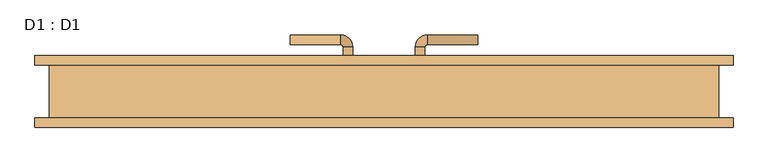
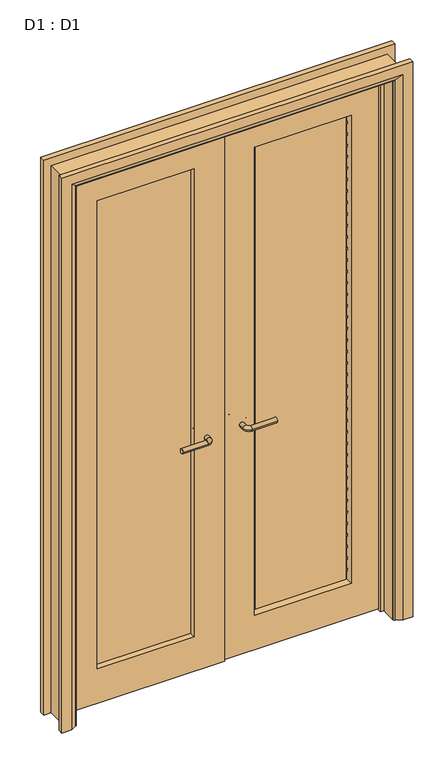
"""IFC4 building model written with IfcOpenShell, lengths in millimetres: door geometry, D1 : D1."""

from ifc_helpers import new_model, si_unit, point, frame, frame_2d, origin, place, context, project, spatial, polyline, circle_curve, ellipse_curve, trimmed, segment, composite_curve, outline, extrude, faceted_brep, source, transform, mapped, element, save
from ifc_brep_helpers import plane_surface, cylinder_surface, revolved_surface, advanced_brep


def d1_d1_8057f397(model_context):
    return source(origin(), model_context, "Body", "SolidModel", [
        advanced_brep(
        [(-65.0, 30.0, 1007.0), (-85.0, 30.0, 1007.0), (-65.0, 0.0, 1007.0), (-85.0, 0.0, 1007.0), (-90.0, -5.0, 1007.0), (-90.0, -25.0, 1007.0), (-195.0, -25.0, 1007.0), (-195.0, -5.0, 1007.0)],
        [
            (0, 1, circle_curve(frame((-75.0, 30.0, 1007.0), z_axis=(0.0, 1.0, 0.0), x_axis=(-1.0, 0.0, 0.0)), 10.0)),
            (1, 0, circle_curve(frame((-75.0, 30.0, 1007.0), z_axis=(0.0, 1.0, 0.0), x_axis=(-1.0, 0.0, 0.0)), 10.0)),
            (0, 2),
            (2, 3, circle_curve(frame((-75.0, 0.0, 1007.0), z_axis=(0.0, 1.0, 0.0), x_axis=(-1.0, 0.0, 0.0)), 10.0)),
            (3, 1),
            (3, 2, circle_curve(frame((-75.0, 0.0, 1007.0), z_axis=(0.0, 1.0, 0.0), x_axis=(-1.0, 0.0, 0.0)), 10.0)),
            (4, 3, circle_curve(frame((-90.0, 0.0, 1007.0), z_axis=(0.0, 0.0, 1.0), x_axis=(1.0, 0.0, 0.0)), 5.0)),
            (2, 5, circle_curve(frame((-90.0, 0.0, 1007.0), z_axis=(0.0, 0.0, -1.0), x_axis=(1.0, 0.0, 0.0)), 25.0)),
            (5, 4, circle_curve(frame((-90.0, -15.0, 1007.0), z_axis=(1.0, 0.0, 0.0), x_axis=(0.0, 1.0, 0.0)), 10.0)),
            (4, 5, circle_curve(frame((-90.0, -15.0, 1007.0), z_axis=(1.0, 0.0, 0.0), x_axis=(0.0, 1.0, 0.0)), 10.0)),
            (6, 7, circle_curve(frame((-195.0, -15.0, 1007.0), z_axis=(-1.0, 0.0, 0.0), x_axis=(0.0, 1.0, 0.0)), 10.0)),
            (7, 6, circle_curve(frame((-195.0, -15.0, 1007.0), z_axis=(-1.0, 0.0, 0.0), x_axis=(0.0, 1.0, 0.0)), 10.0)),
            (5, 6),
            (7, 4),
        ],
        [
            plane_surface(frame((-75.0, 30.0, 1007.0), z_axis=(0.0, 1.0, 0.0), x_axis=(0.0, 0.0, 1.0))),
            cylinder_surface(frame((-75.0, 30.0, 1007.0), z_axis=(0.0, 1.0, 0.0), x_axis=(-1.0, 0.0, 0.0)), 10.0),
            revolved_surface(trimmed(ellipse_curve(frame((-75.0, 0.0, 1007.0), z_axis=(0.0, 1.0, 0.0), x_axis=(-1.0, 0.0, 0.0)), 10.0, 10.0), [point((-65.0, 0.0, 1007.0))], [point((-85.0, 0.0, 1007.0))], True, "CARTESIAN"), (-90.0, 0.0, 1007.0), (0.0, 0.0, -1.0)),
            revolved_surface(trimmed(ellipse_curve(frame((-75.0, 0.0, 1007.0), z_axis=(0.0, 1.0, 0.0), x_axis=(-1.0, 0.0, 0.0)), 10.0, 10.0), [point((-85.0, 0.0, 1007.0))], [point((-65.0, 0.0, 1007.0))], True, "CARTESIAN"), (-90.0, 0.0, 1007.0), (0.0, 0.0, -1.0)),
            plane_surface(frame((-195.0, -15.0, 1007.0), z_axis=(-1.0, 0.0, 0.0), x_axis=(0.0, 0.0, 1.0))),
            cylinder_surface(frame((-90.0, -15.0, 1007.0), z_axis=(1.0, 0.0, 0.0), x_axis=(0.0, 1.0, 0.0)), 10.0),
        ],
        [
            (0, [[1, 2]]),
            (1, [[-1, 3, 4, 5]]),
            (1, [[-2, -5, 6, -3]]),
            (2, [[7, -4, 8, 9]]),
            (3, [[-8, -6, -7, 10]]),
            (4, [[11, 12]]),
            (5, [[-9, 13, -12, 14]]),
            (5, [[-10, -14, -11, -13]]),
        ],
    ),
        extrude(outline(composite_curve([segment(trimmed(circle_curve(frame_2d((1007.0, -72.5)), 30.0), [point((1007.0, -42.5))], [point((1007.0, -102.5))], False, "CARTESIAN"), True, "CONTINUOUS"), segment(trimmed(circle_curve(frame_2d((1007.0, -72.5)), 30.0), [point((1007.0, -102.5))], [point((1007.0, -42.5))], False, "CARTESIAN"), True, "CONTINUOUS")], self_intersect=False)), frame((0.0, 30.0, 0.0), z_axis=(0.0, 1.0, 0.0), x_axis=(0.0, 0.0, 1.0)), (0.0, 0.0, 1.0), 8.0),
        advanced_brep(
        [(-65.0, 63.0, 1007.0), (-85.0, 63.0, 1007.0), (-85.0, 93.0, 1007.0), (-65.0, 93.0, 1007.0), (-90.0, 98.0, 1007.0), (-90.0, 118.0, 1007.0), (-195.0, 118.0, 1007.0), (-195.0, 98.0, 1007.0)],
        [
            (0, 1, circle_curve(frame((-75.0, 63.0, 1007.0), z_axis=(0.0, -1.0, 0.0), x_axis=(-1.0, 0.0, 0.0)), 10.0)),
            (1, 0, circle_curve(frame((-75.0, 63.0, 1007.0), z_axis=(0.0, -1.0, 0.0), x_axis=(-1.0, 0.0, 0.0)), 10.0)),
            (1, 2),
            (2, 3, circle_curve(frame((-75.0, 93.0, 1007.0), z_axis=(0.0, -1.0, 0.0), x_axis=(-1.0, 0.0, 0.0)), 10.0)),
            (3, 0),
            (3, 2, circle_curve(frame((-75.0, 93.0, 1007.0), z_axis=(0.0, -1.0, 0.0), x_axis=(-1.0, 0.0, 0.0)), 10.0)),
            (4, 5, circle_curve(frame((-90.0, 108.0, 1007.0), z_axis=(1.0, 0.0, 0.0), x_axis=(0.0, -1.0, 0.0)), 10.0)),
            (5, 3, circle_curve(frame((-90.0, 93.0, 1007.0), z_axis=(0.0, 0.0, -1.0), x_axis=(1.0, 0.0, 0.0)), 25.0)),
            (2, 4, circle_curve(frame((-90.0, 93.0, 1007.0), z_axis=(0.0, 0.0, 1.0), x_axis=(1.0, 0.0, 0.0)), 5.0)),
            (5, 4, circle_curve(frame((-90.0, 108.0, 1007.0), z_axis=(1.0, 0.0, 0.0), x_axis=(0.0, -1.0, 0.0)), 10.0)),
            (6, 7, circle_curve(frame((-195.0, 108.0, 1007.0), z_axis=(-1.0, 0.0, 0.0), x_axis=(0.0, -1.0, 0.0)), 10.0)),
            (7, 6, circle_curve(frame((-195.0, 108.0, 1007.0), z_axis=(-1.0, 0.0, 0.0), x_axis=(0.0, -1.0, 0.0)), 10.0)),
            (4, 7),
            (6, 5),
        ],
        [
            plane_surface(frame((-75.0, 63.0, 1007.0), z_axis=(0.0, -1.0, 0.0), x_axis=(0.0, 0.0, 1.0))),
            cylinder_surface(frame((-75.0, 63.0, 1007.0), z_axis=(0.0, -1.0, 0.0), x_axis=(-1.0, 0.0, 0.0)), 10.0),
            revolved_surface(trimmed(ellipse_curve(frame((-75.0, 93.0, 1007.0), z_axis=(0.0, 1.0, 0.0), x_axis=(-1.0, 0.0, 0.0)), 10.0, 10.0), [point((-65.0, 93.0, 1007.0))], [point((-85.0, 93.0, 1007.0))], True, "CARTESIAN"), (-90.0, 93.0, 1007.0), (0.0, 0.0, -1.0)),
            revolved_surface(trimmed(ellipse_curve(frame((-75.0, 93.0, 1007.0), z_axis=(0.0, 1.0, 0.0), x_axis=(-1.0, 0.0, 0.0)), 10.0, 10.0), [point((-85.0, 93.0, 1007.0))], [point((-65.0, 93.0, 1007.0))], True, "CARTESIAN"), (-90.0, 93.0, 1007.0), (0.0, 0.0, -1.0)),
            plane_surface(frame((-195.0, 108.0, 1007.0), z_axis=(-1.0, 0.0, 0.0), x_axis=(0.0, 0.0, 1.0))),
            cylinder_surface(frame((-90.0, 108.0, 1007.0), z_axis=(1.0, 0.0, 0.0), x_axis=(0.0, -1.0, 0.0)), 10.0),
        ],
        [
            (0, [[1, 2]]),
            (1, [[3, 4, 5, -2]]),
            (1, [[-5, 6, -3, -1]]),
            (2, [[7, 8, -4, 9]]),
            (3, [[10, -9, -6, -8]]),
            (4, [[11, 12]]),
            (5, [[13, -11, 14, -7]]),
            (5, [[-14, -12, -13, -10]]),
        ],
    ),
        extrude(outline(composite_curve([segment(trimmed(circle_curve(frame_2d((1007.0, -72.5)), 30.0), [point((1007.0, -42.5))], [point((1007.0, -102.5))], False, "CARTESIAN"), True, "CONTINUOUS"), segment(trimmed(circle_curve(frame_2d((1007.0, -72.5)), 30.0), [point((1007.0, -102.5))], [point((1007.0, -42.5))], False, "CARTESIAN"), True, "CONTINUOUS")], self_intersect=False)), frame((0.0, 55.0, 0.0), z_axis=(0.0, 1.0, 0.0), x_axis=(0.0, 0.0, 1.0)), (0.0, 0.0, 1.0), 8.0),
        advanced_brep(
        [(65.0, 30.0, 1007.0), (85.0, 30.0, 1007.0), (85.0, 0.0, 1007.0), (65.0, 0.0, 1007.0), (90.0, -5.0, 1007.0), (90.0, -25.0, 1007.0), (195.0, -25.0, 1007.0), (195.0, -5.0, 1007.0)],
        [
            (0, 1, circle_curve(frame((75.0, 30.0, 1007.0), z_axis=(0.0, 1.0, 0.0), x_axis=(1.0, 0.0, 0.0)), 10.0)),
            (1, 0, circle_curve(frame((75.0, 30.0, 1007.0), z_axis=(0.0, 1.0, 0.0), x_axis=(1.0, 0.0, 0.0)), 10.0)),
            (1, 2),
            (2, 3, circle_curve(frame((75.0, 0.0, 1007.0), z_axis=(0.0, 1.0, 0.0), x_axis=(1.0, 0.0, 0.0)), 10.0)),
            (3, 0),
            (3, 2, circle_curve(frame((75.0, 0.0, 1007.0), z_axis=(0.0, 1.0, 0.0), x_axis=(1.0, 0.0, 0.0)), 10.0)),
            (4, 5, circle_curve(frame((90.0, -15.0, 1007.0), z_axis=(-1.0, 0.0, 0.0), x_axis=(0.0, 1.0, 0.0)), 10.0)),
            (5, 3, circle_curve(frame((90.0, 0.0, 1007.0), z_axis=(0.0, 0.0, -1.0), x_axis=(-1.0, 0.0, 0.0)), 25.0)),
            (2, 4, circle_curve(frame((90.0, 0.0, 1007.0), z_axis=(0.0, 0.0, 1.0), x_axis=(-1.0, 0.0, 0.0)), 5.0)),
            (5, 4, circle_curve(frame((90.0, -15.0, 1007.0), z_axis=(-1.0, 0.0, 0.0), x_axis=(0.0, 1.0, 0.0)), 10.0)),
            (6, 7, circle_curve(frame((195.0, -15.0, 1007.0), z_axis=(1.0, 0.0, 0.0), x_axis=(0.0, 1.0, 0.0)), 10.0)),
            (7, 6, circle_curve(frame((195.0, -15.0, 1007.0), z_axis=(1.0, 0.0, 0.0), x_axis=(0.0, 1.0, 0.0)), 10.0)),
            (4, 7),
            (6, 5),
        ],
        [
            plane_surface(frame((75.0, 30.0, 1007.0), z_axis=(0.0, 1.0, 0.0), x_axis=(0.0, 0.0, 1.0))),
            cylinder_surface(frame((75.0, 30.0, 1007.0), z_axis=(0.0, 1.0, 0.0), x_axis=(1.0, 0.0, 0.0)), 10.0),
            revolved_surface(trimmed(ellipse_curve(frame((75.0, 0.0, 1007.0), z_axis=(0.0, -1.0, 0.0), x_axis=(1.0, 0.0, 0.0)), 10.0, 10.0), [point((65.0, 0.0, 1007.0))], [point((85.0, 0.0, 1007.0))], True, "CARTESIAN"), (90.0, 0.0, 1007.0), (0.0, 0.0, -1.0)),
            revolved_surface(trimmed(ellipse_curve(frame((75.0, 0.0, 1007.0), z_axis=(0.0, -1.0, 0.0), x_axis=(1.0, 0.0, 0.0)), 10.0, 10.0), [point((85.0, 0.0, 1007.0))], [point((65.0, 0.0, 1007.0))], True, "CARTESIAN"), (90.0, 0.0, 1007.0), (0.0, 0.0, -1.0)),
            plane_surface(frame((195.0, -15.0, 1007.0), z_axis=(1.0, 0.0, 0.0), x_axis=(0.0, 0.0, 1.0))),
            cylinder_surface(frame((90.0, -15.0, 1007.0), z_axis=(-1.0, 0.0, 0.0), x_axis=(0.0, 1.0, 0.0)), 10.0),
        ],
        [
            (0, [[1, 2]]),
            (1, [[3, 4, 5, -2]]),
            (1, [[-5, 6, -3, -1]]),
            (2, [[7, 8, -4, 9]]),
            (3, [[10, -9, -6, -8]]),
            (4, [[11, 12]]),
            (5, [[13, -11, 14, -7]]),
            (5, [[-14, -12, -13, -10]]),
        ],
    ),
        extrude(outline(composite_curve([segment(trimmed(circle_curve(frame_2d((1007.0, 72.5)), 30.0), [point((1007.0, 42.5))], [point((1007.0, 102.5))], False, "CARTESIAN"), True, "CONTINUOUS"), segment(trimmed(circle_curve(frame_2d((1007.0, 72.5)), 30.0), [point((1007.0, 102.5))], [point((1007.0, 42.5))], False, "CARTESIAN"), True, "CONTINUOUS")], self_intersect=False)), frame((0.0, 30.0, 0.0), z_axis=(0.0, 1.0, 0.0), x_axis=(0.0, 0.0, 1.0)), (0.0, 0.0, 1.0), 8.0),
        advanced_brep(
        [(65.0, 63.0, 1007.0), (85.0, 63.0, 1007.0), (65.0, 93.0, 1007.0), (85.0, 93.0, 1007.0), (90.0, 98.0, 1007.0), (90.0, 118.0, 1007.0), (195.0, 118.0, 1007.0), (195.0, 98.0, 1007.0)],
        [
            (0, 1, circle_curve(frame((75.0, 63.0, 1007.0), z_axis=(0.0, -1.0, 0.0), x_axis=(1.0, 0.0, 0.0)), 10.0)),
            (1, 0, circle_curve(frame((75.0, 63.0, 1007.0), z_axis=(0.0, -1.0, 0.0), x_axis=(1.0, 0.0, 0.0)), 10.0)),
            (0, 2),
            (2, 3, circle_curve(frame((75.0, 93.0, 1007.0), z_axis=(0.0, -1.0, 0.0), x_axis=(1.0, 0.0, 0.0)), 10.0)),
            (3, 1),
            (3, 2, circle_curve(frame((75.0, 93.0, 1007.0), z_axis=(0.0, -1.0, 0.0), x_axis=(1.0, 0.0, 0.0)), 10.0)),
            (4, 3, circle_curve(frame((90.0, 93.0, 1007.0), z_axis=(0.0, 0.0, 1.0), x_axis=(-1.0, 0.0, 0.0)), 5.0)),
            (2, 5, circle_curve(frame((90.0, 93.0, 1007.0), z_axis=(0.0, 0.0, -1.0), x_axis=(-1.0, 0.0, 0.0)), 25.0)),
            (5, 4, circle_curve(frame((90.0, 108.0, 1007.0), z_axis=(-1.0, 0.0, 0.0), x_axis=(0.0, -1.0, 0.0)), 10.0)),
            (4, 5, circle_curve(frame((90.0, 108.0, 1007.0), z_axis=(-1.0, 0.0, 0.0), x_axis=(0.0, -1.0, 0.0)), 10.0)),
            (6, 7, circle_curve(frame((195.0, 108.0, 1007.0), z_axis=(1.0, 0.0, 0.0), x_axis=(0.0, -1.0, 0.0)), 10.0)),
            (7, 6, circle_curve(frame((195.0, 108.0, 1007.0), z_axis=(1.0, 0.0, 0.0), x_axis=(0.0, -1.0, 0.0)), 10.0)),
            (5, 6),
            (7, 4),
        ],
        [
            plane_surface(frame((75.0, 63.0, 1007.0), z_axis=(0.0, -1.0, 0.0), x_axis=(0.0, 0.0, 1.0))),
            cylinder_surface(frame((75.0, 63.0, 1007.0), z_axis=(0.0, -1.0, 0.0), x_axis=(1.0, 0.0, 0.0)), 10.0),
            revolved_surface(trimmed(ellipse_curve(frame((75.0, 93.0, 1007.0), z_axis=(0.0, -1.0, 0.0), x_axis=(1.0, 0.0, 0.0)), 10.0, 10.0), [point((65.0, 93.0, 1007.0))], [point((85.0, 93.0, 1007.0))], True, "CARTESIAN"), (90.0, 93.0, 1007.0), (0.0, 0.0, -1.0)),
            revolved_surface(trimmed(ellipse_curve(frame((75.0, 93.0, 1007.0), z_axis=(0.0, -1.0, 0.0), x_axis=(1.0, 0.0, 0.0)), 10.0, 10.0), [point((85.0, 93.0, 1007.0))], [point((65.0, 93.0, 1007.0))], True, "CARTESIAN"), (90.0, 93.0, 1007.0), (0.0, 0.0, -1.0)),
            plane_surface(frame((195.0, 108.0, 1007.0), z_axis=(1.0, 0.0, 0.0), x_axis=(0.0, 0.0, 1.0))),
            cylinder_surface(frame((90.0, 108.0, 1007.0), z_axis=(-1.0, 0.0, 0.0), x_axis=(0.0, -1.0, 0.0)), 10.0),
        ],
        [
            (0, [[1, 2]]),
            (1, [[-1, 3, 4, 5]]),
            (1, [[-2, -5, 6, -3]]),
            (2, [[7, -4, 8, 9]]),
            (3, [[-8, -6, -7, 10]]),
            (4, [[11, 12]]),
            (5, [[-9, 13, -12, 14]]),
            (5, [[-10, -14, -11, -13]]),
        ],
    ),
        extrude(outline(composite_curve([segment(trimmed(circle_curve(frame_2d((1007.0, 72.5)), 30.0), [point((1007.0, 42.5))], [point((1007.0, 102.5))], False, "CARTESIAN"), True, "CONTINUOUS"), segment(trimmed(circle_curve(frame_2d((1007.0, 72.5)), 30.0), [point((1007.0, 102.5))], [point((1007.0, 42.5))], False, "CARTESIAN"), True, "CONTINUOUS")], self_intersect=False)), frame((0.0, 55.0, 0.0), z_axis=(0.0, 1.0, 0.0), x_axis=(0.0, 0.0, 1.0)), (0.0, 0.0, 1.0), 8.0),
        extrude(outline(polyline([(2385.0, -694.5), (0.0, -694.5), (0.0, -654.5), (2350.0, -654.5), (2350.0, 654.5), (0.0, 654.5), (0.0, 694.5), (2385.0, 694.5), (2385.0, -694.5)])), frame((0.0, -55.0, 0.0), z_axis=(0.0, 1.0, 0.0), x_axis=(0.0, 0.0, 1.0)), (0.0, 0.0, 1.0), 110.0),
        advanced_brep(
        [(-724.5, -75.0, 0.0), (-724.5, -55.0, 0.0), (-654.5, -55.0, 0.0), (-658.5, -61.0, 0.0), (-684.5, -75.0, 0.0), (-724.5, -75.0, 2420.0), (-724.5, -55.0, 2420.0), (724.5, -55.0, 2420.0), (724.5, -55.0, 0.0), (654.5, -55.0, 0.0), (654.5, -55.0, 2350.0), (-654.5, -55.0, 2350.0), (-658.5, -61.0, 2354.0), (-684.5, -75.0, 2380.0), (684.5, -75.0, 2380.0), (684.5, -75.0, 0.0), (724.5, -75.0, 0.0), (724.5, -75.0, 2420.0), (658.5, -61.0, 2354.0), (658.5, -61.0, 0.0)],
        [
            (0, 1),
            (1, 2),
            (2, 3, circle_curve(frame((-662.5, -54.0, 0.0), z_axis=(0.0, 0.0, -1.0), x_axis=(-1.0, 0.0, 0.0)), 8.0622577)),
            (3, 4),
            (4, 0),
            (0, 5),
            (5, 6),
            (6, 1),
            (6, 7),
            (7, 8),
            (8, 9),
            (9, 10),
            (10, 11),
            (11, 2),
            (11, 12, ellipse_curve(frame((-662.5, -54.0, 2358.0), z_axis=(-0.7071067811865475, 0.0, -0.7071067811865475), x_axis=(0.7071067811865474, 0.0, -0.7071067811865476)), 11.4017543, 8.0622577)),
            (12, 3),
            (12, 13),
            (13, 4),
            (13, 14),
            (14, 15),
            (15, 16),
            (16, 17),
            (17, 5),
            (17, 7),
            (10, 18, ellipse_curve(frame((662.5, -54.0, 2358.0), z_axis=(-0.7071067811865475, 0.0, 0.7071067811865475), x_axis=(-0.7071067811865476, 0.0, -0.7071067811865474)), 11.4017543, 8.0622577)),
            (18, 12),
            (18, 14),
            (15, 19),
            (19, 9, circle_curve(frame((662.5, -54.0, 0.0), z_axis=(0.0, 0.0, -1.0), x_axis=(1.0, 0.0, 0.0)), 8.0622577)),
            (8, 16),
            (19, 18),
        ],
        [
            plane_surface(frame((-654.5, -55.0, 0.0), z_axis=(0.0, 0.0, -1.0), x_axis=(0.0, -1.0, 0.0))),
            plane_surface(frame((-724.5, -75.0, 0.0), z_axis=(-1.0, 0.0, 0.0), x_axis=(0.0, 0.0, 1.0))),
            plane_surface(frame((-724.5, -55.0, 0.0), z_axis=(0.0, 1.0, 0.0), x_axis=(0.0, 0.0, 1.0))),
            cylinder_surface(frame((-662.5, -54.0, 0.0), z_axis=(0.0, 0.0, -1.0), x_axis=(-1.0, 0.0, 0.0)), 8.0622577),
            plane_surface(frame((-658.5, -61.0, 0.0), z_axis=(0.4740998230350183, -0.8804710999221749, 0.0), x_axis=(0.0, 0.0, 1.0))),
            plane_surface(frame((-684.5, -75.0, 0.0), z_axis=(0.0, -1.0, 0.0), x_axis=(0.0, 0.0, 1.0))),
            plane_surface(frame((-724.5, -75.0, 2420.0), z_axis=(0.0, 0.0, 1.0), x_axis=(1.0, 0.0, 0.0))),
            cylinder_surface(frame((-654.5, -54.0, 2358.0), z_axis=(-1.0, 0.0, 0.0), x_axis=(0.0, 0.0, 1.0)), 8.0622577),
            plane_surface(frame((-658.5, -61.0, 2354.0), z_axis=(0.0, -0.8804710999221749, -0.4740998230350183), x_axis=(1.0, 0.0, 0.0))),
            plane_surface(frame((654.5, -55.0, 0.0), z_axis=(0.0, 0.0, -1.0), x_axis=(0.0, -1.0, 0.0))),
            plane_surface(frame((724.5, -75.0, 2420.0), z_axis=(1.0, 0.0, 0.0), x_axis=(0.0, 0.0, -1.0))),
            cylinder_surface(frame((662.5, -54.0, 2350.0), z_axis=(0.0, 0.0, 1.0), x_axis=(1.0, 0.0, 0.0)), 8.0622577),
            plane_surface(frame((658.5, -61.0, 2354.0), z_axis=(-0.4740998230350183, -0.8804710999221749, 0.0), x_axis=(0.0, 0.0, -1.0))),
        ],
        [
            (0, [[1, 2, 3, 4, 5]]),
            (1, [[-1, 6, 7, 8]]),
            (2, [[-2, -8, 9, 10, 11, 12, 13, 14]]),
            (3, [[-3, -14, 15, 16]]),
            (4, [[-4, -16, 17, 18]]),
            (5, [[-5, -18, 19, 20, 21, 22, 23, -6]]),
            (6, [[-7, -23, 24, -9]]),
            (7, [[-15, -13, 25, 26]]),
            (8, [[-17, -26, 27, -19]]),
            (9, [[-21, 28, 29, -11, 30]]),
            (10, [[-24, -22, -30, -10]]),
            (11, [[-25, -12, -29, 31]]),
            (12, [[-27, -31, -28, -20]]),
        ],
    ),
        advanced_brep(
        [(724.5, 75.0, 0.0), (724.5, 55.0, 0.0), (654.5, 55.0, 0.0), (658.5, 61.0, 0.0), (684.5, 75.0, 0.0), (724.5, 75.0, 2420.0), (724.5, 55.0, 2420.0), (-724.5, 55.0, 2420.0), (-724.5, 55.0, 0.0), (-654.5, 55.0, 0.0), (-654.5, 55.0, 2350.0), (654.5, 55.0, 2350.0), (658.5, 61.0, 2354.0), (684.5, 75.0, 2380.0), (-684.5, 75.0, 2380.0), (-684.5, 75.0, 0.0), (-724.5, 75.0, 0.0), (-724.5, 75.0, 2420.0), (-658.5, 61.0, 2354.0), (-658.5, 61.0, 0.0)],
        [
            (0, 1),
            (1, 2),
            (2, 3, circle_curve(frame((662.5, 54.0, 0.0), z_axis=(0.0, 0.0, -1.0), x_axis=(1.0, 0.0, 0.0)), 8.0622577)),
            (3, 4),
            (4, 0),
            (0, 5),
            (5, 6),
            (6, 1),
            (6, 7),
            (7, 8),
            (8, 9),
            (9, 10),
            (10, 11),
            (11, 2),
            (11, 12, ellipse_curve(frame((662.5, 54.0, 2358.0), z_axis=(0.7071067811865475, 0.0, -0.7071067811865475), x_axis=(-0.7071067811865474, 0.0, -0.7071067811865476)), 11.4017543, 8.0622577)),
            (12, 3),
            (12, 13),
            (13, 4),
            (13, 14),
            (14, 15),
            (15, 16),
            (16, 17),
            (17, 5),
            (17, 7),
            (10, 18, ellipse_curve(frame((-662.5, 54.0, 2358.0), z_axis=(0.7071067811865475, 0.0, 0.7071067811865475), x_axis=(0.7071067811865476, 0.0, -0.7071067811865474)), 11.4017543, 8.0622577)),
            (18, 12),
            (18, 14),
            (15, 19),
            (19, 9, circle_curve(frame((-662.5, 54.0, 0.0), z_axis=(0.0, 0.0, -1.0), x_axis=(-1.0, 0.0, 0.0)), 8.0622577)),
            (8, 16),
            (19, 18),
        ],
        [
            plane_surface(frame((654.5, 55.0, 0.0), z_axis=(0.0, 0.0, -1.0), x_axis=(0.0, -1.0, 0.0))),
            plane_surface(frame((724.5, 75.0, 0.0), z_axis=(1.0, 0.0, 0.0), x_axis=(0.0, 0.0, 1.0))),
            plane_surface(frame((724.5, 55.0, 0.0), z_axis=(0.0, -1.0, 0.0), x_axis=(0.0, 0.0, 1.0))),
            cylinder_surface(frame((662.5, 54.0, 0.0), z_axis=(0.0, 0.0, -1.0), x_axis=(1.0, 0.0, 0.0)), 8.0622577),
            plane_surface(frame((658.5, 61.0, 0.0), z_axis=(-0.4740998230350126, 0.8804710999221779, 0.0), x_axis=(0.0, 0.0, 1.0))),
            plane_surface(frame((684.5, 75.0, 0.0), z_axis=(0.0, 1.0, 0.0), x_axis=(0.0, 0.0, 1.0))),
            plane_surface(frame((724.5, 75.0, 2420.0), z_axis=(0.0, 0.0, 1.0), x_axis=(-1.0, 0.0, 0.0))),
            cylinder_surface(frame((654.5, 54.0, 2358.0), z_axis=(1.0, 0.0, 0.0), x_axis=(0.0, 0.0, 1.0)), 8.0622577),
            plane_surface(frame((658.5, 61.0, 2354.0), z_axis=(0.0, 0.8804710999221763, -0.4740998230350154), x_axis=(-1.0, 0.0, 0.0))),
            plane_surface(frame((-654.5, 55.0, 0.0), z_axis=(0.0, 0.0, -1.0), x_axis=(0.0, -1.0, 0.0))),
            plane_surface(frame((-724.5, 75.0, 2420.0), z_axis=(-1.0, 0.0, 0.0), x_axis=(0.0, 0.0, -1.0))),
            cylinder_surface(frame((-662.5, 54.0, 2350.0), z_axis=(0.0, 0.0, 1.0), x_axis=(-1.0, 0.0, 0.0)), 8.0622577),
            plane_surface(frame((-658.5, 61.0, 2354.0), z_axis=(0.4740998230350183, 0.8804710999221749, 0.0), x_axis=(0.0, 0.0, -1.0))),
        ],
        [
            (0, [[1, 2, 3, 4, 5]]),
            (1, [[-1, 6, 7, 8]]),
            (2, [[-2, -8, 9, 10, 11, 12, 13, 14]]),
            (3, [[-3, -14, 15, 16]]),
            (4, [[-4, -16, 17, 18]]),
            (5, [[-5, -18, 19, 20, 21, 22, 23, -6]]),
            (6, [[-7, -23, 24, -9]]),
            (7, [[-15, -13, 25, 26]]),
            (8, [[-17, -26, 27, -19]]),
            (9, [[-21, 28, 29, -11, 30]]),
            (10, [[-24, -22, -30, -10]]),
            (11, [[-25, -12, -29, 31]]),
            (12, [[-27, -31, -28, -20]]),
        ],
    ),
        faceted_brep([(-639.5, 42.0, 0.0), (-639.5, 10.0, 0.0), (-654.5, 10.0, 0.0), (-654.5, 42.0, 0.0), (-639.5, 42.0, 2335.0), (-639.5, 10.0, 2335.0), (-654.5, 10.0, 2350.0), (-654.5, 42.0, 2350.0), (639.5, 42.0, 2335.0), (639.5, 10.0, 2335.0), (654.5, 10.0, 2350.0), (654.5, 42.0, 2350.0), (639.5, 42.0, 0.0), (654.5, 42.0, 0.0), (654.5, 10.0, 0.0), (639.5, 10.0, 0.0)], [[[0, 1, 2, 3]], [[1, 0, 4, 5]], [[2, 1, 5, 6]], [[3, 2, 6, 7]], [[0, 3, 7, 4]], [[5, 4, 8, 9]], [[6, 5, 9, 10]], [[7, 6, 10, 11]], [[4, 7, 11, 8]], [[12, 13, 14, 15]], [[9, 8, 12, 15]], [[10, 9, 15, 14]], [[11, 10, 14, 13]], [[8, 11, 13, 12]]]),
        extrude(outline(polyline([(-526.5, 55.0), (-126.5, 55.0), (-126.5, 48.0), (-526.5, 48.0), (-526.5, 55.0)])), frame((0.0, 0.0, 2045.753223), z_axis=(0.0, 0.0, 1.0), x_axis=(1.0, 0.0, 0.0)), (0.0, 0.0, 1.0), 10.0),
        extrude(outline(polyline([(-526.5, 55.0), (-126.5, 55.0), (-126.5, 48.0), (-526.5, 48.0), (-526.5, 55.0)])), frame((0.0, 0.0, 1995.753223), z_axis=(0.0, 0.0, 1.0), x_axis=(1.0, 0.0, 0.0)), (0.0, 0.0, 1.0), 10.0),
        extrude(outline(polyline([(-526.5, 55.0), (-126.5, 55.0), (-126.5, 48.0), (-526.5, 48.0), (-526.5, 55.0)])), frame((0.0, 0.0, 1945.753223), z_axis=(0.0, 0.0, 1.0), x_axis=(1.0, 0.0, 0.0)), (0.0, 0.0, 1.0), 10.0),
        extrude(outline(polyline([(-526.5, 55.0), (-126.5, 55.0), (-126.5, 48.0), (-526.5, 48.0), (-526.5, 55.0)])), frame((0.0, 0.0, 1895.753223), z_axis=(0.0, 0.0, 1.0), x_axis=(1.0, 0.0, 0.0)), (0.0, 0.0, 1.0), 10.0),
        extrude(outline(polyline([(-526.5, 55.0), (-126.5, 55.0), (-126.5, 48.0), (-526.5, 48.0), (-526.5, 55.0)])), frame((0.0, 0.0, 1845.753223), z_axis=(0.0, 0.0, 1.0), x_axis=(1.0, 0.0, 0.0)), (0.0, 0.0, 1.0), 10.0),
        extrude(outline(polyline([(-526.5, 55.0), (-126.5, 55.0), (-126.5, 48.0), (-526.5, 48.0), (-526.5, 55.0)])), frame((0.0, 0.0, 1795.753223), z_axis=(0.0, 0.0, 1.0), x_axis=(1.0, 0.0, 0.0)), (0.0, 0.0, 1.0), 10.0),
        extrude(outline(polyline([(-526.5, 55.0), (-126.5, 55.0), (-126.5, 48.0), (-526.5, 48.0), (-526.5, 55.0)])), frame((0.0, 0.0, 1745.753223), z_axis=(0.0, 0.0, 1.0), x_axis=(1.0, 0.0, 0.0)), (0.0, 0.0, 1.0), 10.0),
        extrude(outline(polyline([(-526.5, 55.0), (-126.5, 55.0), (-126.5, 48.0), (-526.5, 48.0), (-526.5, 55.0)])), frame((0.0, 0.0, 1695.753223), z_axis=(0.0, 0.0, 1.0), x_axis=(1.0, 0.0, 0.0)), (0.0, 0.0, 1.0), 10.0),
        extrude(outline(polyline([(-526.5, 55.0), (-126.5, 55.0), (-126.5, 48.0), (-526.5, 48.0), (-526.5, 55.0)])), frame((0.0, 0.0, 1645.753223), z_axis=(0.0, 0.0, 1.0), x_axis=(1.0, 0.0, 0.0)), (0.0, 0.0, 1.0), 10.0),
        extrude(outline(polyline([(-526.5, 55.0), (-126.5, 55.0), (-126.5, 48.0), (-526.5, 48.0), (-526.5, 55.0)])), frame((0.0, 0.0, 1595.753223), z_axis=(0.0, 0.0, 1.0), x_axis=(1.0, 0.0, 0.0)), (0.0, 0.0, 1.0), 10.0),
        extrude(outline(polyline([(-526.5, 55.0), (-126.5, 55.0), (-126.5, 48.0), (-526.5, 48.0), (-526.5, 55.0)])), frame((0.0, 0.0, 1545.753223), z_axis=(0.0, 0.0, 1.0), x_axis=(1.0, 0.0, 0.0)), (0.0, 0.0, 1.0), 10.0),
        extrude(outline(polyline([(-526.5, 55.0), (-126.5, 55.0), (-126.5, 48.0), (-526.5, 48.0), (-526.5, 55.0)])), frame((0.0, 0.0, 1495.753223), z_axis=(0.0, 0.0, 1.0), x_axis=(1.0, 0.0, 0.0)), (0.0, 0.0, 1.0), 10.0),
        extrude(outline(polyline([(-526.5, 55.0), (-126.5, 55.0), (-126.5, 48.0), (-526.5, 48.0), (-526.5, 55.0)])), frame((0.0, 0.0, 1445.753223), z_axis=(0.0, 0.0, 1.0), x_axis=(1.0, 0.0, 0.0)), (0.0, 0.0, 1.0), 10.0),
        extrude(outline(polyline([(-526.5, 55.0), (-126.5, 55.0), (-126.5, 48.0), (-526.5, 48.0), (-526.5, 55.0)])), frame((0.0, 0.0, 1395.753223), z_axis=(0.0, 0.0, 1.0), x_axis=(1.0, 0.0, 0.0)), (0.0, 0.0, 1.0), 10.0),
        extrude(outline(polyline([(-526.5, 55.0), (-126.5, 55.0), (-126.5, 48.0), (-526.5, 48.0), (-526.5, 55.0)])), frame((0.0, 0.0, 1345.753223), z_axis=(0.0, 0.0, 1.0), x_axis=(1.0, 0.0, 0.0)), (0.0, 0.0, 1.0), 10.0),
        extrude(outline(polyline([(-526.5, 55.0), (-126.5, 55.0), (-126.5, 48.0), (-526.5, 48.0), (-526.5, 55.0)])), frame((0.0, 0.0, 1295.753223), z_axis=(0.0, 0.0, 1.0), x_axis=(1.0, 0.0, 0.0)), (0.0, 0.0, 1.0), 10.0),
        extrude(outline(polyline([(-526.5, 55.0), (-126.5, 55.0), (-126.5, 48.0), (-526.5, 48.0), (-526.5, 55.0)])), frame((0.0, 0.0, 1245.753223), z_axis=(0.0, 0.0, 1.0), x_axis=(1.0, 0.0, 0.0)), (0.0, 0.0, 1.0), 10.0),
        extrude(outline(polyline([(-526.5, 55.0), (-126.5, 55.0), (-126.5, 48.0), (-526.5, 48.0), (-526.5, 55.0)])), frame((0.0, 0.0, 1195.753223), z_axis=(0.0, 0.0, 1.0), x_axis=(1.0, 0.0, 0.0)), (0.0, 0.0, 1.0), 10.0),
        extrude(outline(polyline([(-526.5, 55.0), (-126.5, 55.0), (-126.5, 48.0), (-526.5, 48.0), (-526.5, 55.0)])), frame((0.0, 0.0, 1145.753223), z_axis=(0.0, 0.0, 1.0), x_axis=(1.0, 0.0, 0.0)), (0.0, 0.0, 1.0), 10.0),
        extrude(outline(polyline([(-526.5, 55.0), (-126.5, 55.0), (-126.5, 48.0), (-526.5, 48.0), (-526.5, 55.0)])), frame((0.0, 0.0, 1095.753223), z_axis=(0.0, 0.0, 1.0), x_axis=(1.0, 0.0, 0.0)), (0.0, 0.0, 1.0), 10.0),
        extrude(outline(polyline([(-526.5, 55.0), (-126.5, 55.0), (-126.5, 48.0), (-526.5, 48.0), (-526.5, 55.0)])), frame((0.0, 0.0, 1045.753223), z_axis=(0.0, 0.0, 1.0), x_axis=(1.0, 0.0, 0.0)), (0.0, 0.0, 1.0), 10.0),
        extrude(outline(polyline([(-526.5, 55.0), (-126.5, 55.0), (-126.5, 48.0), (-526.5, 48.0), (-526.5, 55.0)])), frame((0.0, 0.0, 995.753223), z_axis=(0.0, 0.0, 1.0), x_axis=(1.0, 0.0, 0.0)), (0.0, 0.0, 1.0), 10.0),
        extrude(outline(polyline([(-526.5, 55.0), (-126.5, 55.0), (-126.5, 48.0), (-526.5, 48.0), (-526.5, 55.0)])), frame((0.0, 0.0, 945.753223), z_axis=(0.0, 0.0, 1.0), x_axis=(1.0, 0.0, 0.0)), (0.0, 0.0, 1.0), 10.0),
        extrude(outline(polyline([(-526.5, 55.0), (-126.5, 55.0), (-126.5, 48.0), (-526.5, 48.0), (-526.5, 55.0)])), frame((0.0, 0.0, 895.753223), z_axis=(0.0, 0.0, 1.0), x_axis=(1.0, 0.0, 0.0)), (0.0, 0.0, 1.0), 10.0),
        extrude(outline(polyline([(-526.5, 55.0), (-126.5, 55.0), (-126.5, 48.0), (-526.5, 48.0), (-526.5, 55.0)])), frame((0.0, 0.0, 845.753223), z_axis=(0.0, 0.0, 1.0), x_axis=(1.0, 0.0, 0.0)), (0.0, 0.0, 1.0), 10.0),
        extrude(outline(polyline([(-526.5, 55.0), (-126.5, 55.0), (-126.5, 48.0), (-526.5, 48.0), (-526.5, 55.0)])), frame((0.0, 0.0, 795.753223), z_axis=(0.0, 0.0, 1.0), x_axis=(1.0, 0.0, 0.0)), (0.0, 0.0, 1.0), 10.0),
        extrude(outline(polyline([(-526.5, 55.0), (-126.5, 55.0), (-126.5, 48.0), (-526.5, 48.0), (-526.5, 55.0)])), frame((0.0, 0.0, 745.753223), z_axis=(0.0, 0.0, 1.0), x_axis=(1.0, 0.0, 0.0)), (0.0, 0.0, 1.0), 10.0),
        extrude(outline(polyline([(-526.5, 55.0), (-126.5, 55.0), (-126.5, 48.0), (-526.5, 48.0), (-526.5, 55.0)])), frame((0.0, 0.0, 695.753223), z_axis=(0.0, 0.0, 1.0), x_axis=(1.0, 0.0, 0.0)), (0.0, 0.0, 1.0), 10.0),
        extrude(outline(polyline([(-526.5, 55.0), (-126.5, 55.0), (-126.5, 48.0), (-526.5, 48.0), (-526.5, 55.0)])), frame((0.0, 0.0, 645.753223), z_axis=(0.0, 0.0, 1.0), x_axis=(1.0, 0.0, 0.0)), (0.0, 0.0, 1.0), 10.0),
        extrude(outline(polyline([(-526.5, 55.0), (-126.5, 55.0), (-126.5, 48.0), (-526.5, 48.0), (-526.5, 55.0)])), frame((0.0, 0.0, 595.753223), z_axis=(0.0, 0.0, 1.0), x_axis=(1.0, 0.0, 0.0)), (0.0, 0.0, 1.0), 10.0),
        extrude(outline(polyline([(-526.5, 55.0), (-126.5, 55.0), (-126.5, 48.0), (-526.5, 48.0), (-526.5, 55.0)])), frame((0.0, 0.0, 545.753223), z_axis=(0.0, 0.0, 1.0), x_axis=(1.0, 0.0, 0.0)), (0.0, 0.0, 1.0), 10.0),
        extrude(outline(polyline([(-526.5, 55.0), (-126.5, 55.0), (-126.5, 48.0), (-526.5, 48.0), (-526.5, 55.0)])), frame((0.0, 0.0, 495.753223), z_axis=(0.0, 0.0, 1.0), x_axis=(1.0, 0.0, 0.0)), (0.0, 0.0, 1.0), 10.0),
        extrude(outline(polyline([(-526.5, 55.0), (-126.5, 55.0), (-126.5, 48.0), (-526.5, 48.0), (-526.5, 55.0)])), frame((0.0, 0.0, 445.753223), z_axis=(0.0, 0.0, 1.0), x_axis=(1.0, 0.0, 0.0)), (0.0, 0.0, 1.0), 10.0),
        extrude(outline(polyline([(-526.5, 55.0), (-126.5, 55.0), (-126.5, 48.0), (-526.5, 48.0), (-526.5, 55.0)])), frame((0.0, 0.0, 395.753223), z_axis=(0.0, 0.0, 1.0), x_axis=(1.0, 0.0, 0.0)), (0.0, 0.0, 1.0), 10.0),
        extrude(outline(polyline([(-526.5, 55.0), (-126.5, 55.0), (-126.5, 48.0), (-526.5, 48.0), (-526.5, 55.0)])), frame((0.0, 0.0, 345.753223), z_axis=(0.0, 0.0, 1.0), x_axis=(1.0, 0.0, 0.0)), (0.0, 0.0, 1.0), 10.0),
        extrude(outline(polyline([(-526.5, 55.0), (-126.5, 55.0), (-126.5, 48.0), (-526.5, 48.0), (-526.5, 55.0)])), frame((0.0, 0.0, 295.753223), z_axis=(0.0, 0.0, 1.0), x_axis=(1.0, 0.0, 0.0)), (0.0, 0.0, 1.0), 10.0),
        extrude(outline(polyline([(-526.5, 55.0), (-126.5, 55.0), (-126.5, 48.0), (-526.5, 48.0), (-526.5, 55.0)])), frame((0.0, 0.0, 245.753223), z_axis=(0.0, 0.0, 1.0), x_axis=(1.0, 0.0, 0.0)), (0.0, 0.0, 1.0), 10.0),
        extrude(outline(polyline([(-526.5, 55.0), (-126.5, 55.0), (-126.5, 48.0), (-526.5, 48.0), (-526.5, 55.0)])), frame((0.0, 0.0, 195.753223), z_axis=(0.0, 0.0, 1.0), x_axis=(1.0, 0.0, 0.0)), (0.0, 0.0, 1.0), 10.0),
        extrude(outline(polyline([(-526.5, 55.0), (-126.5, 55.0), (-126.5, 48.0), (-526.5, 48.0), (-526.5, 55.0)])), frame((0.0, 0.0, 2095.753223), z_axis=(0.0, 0.0, 1.0), x_axis=(1.0, 0.0, 0.0)), (0.0, 0.0, 1.0), 10.0),
        extrude(outline(polyline([(-526.5, 55.0), (-126.5, 55.0), (-126.5, 48.0), (-526.5, 48.0), (-526.5, 55.0)])), frame((0.0, 0.0, 2144.506446), z_axis=(0.0, 0.0, 1.0), x_axis=(1.0, 0.0, 0.0)), (0.0, 0.0, 1.0), 10.0),
        extrude(outline(polyline([(126.5, 55.0), (526.5, 55.0), (526.5, 48.0), (126.5, 48.0), (126.5, 55.0)])), frame((0.0, 0.0, 2044.506446), z_axis=(0.0, 0.0, 1.0), x_axis=(1.0, 0.0, 0.0)), (0.0, 0.0, 1.0), 10.0),
        extrude(outline(polyline([(126.5, 55.0), (526.5, 55.0), (526.5, 48.0), (126.5, 48.0), (126.5, 55.0)])), frame((0.0, 0.0, 1995.753223), z_axis=(0.0, 0.0, 1.0), x_axis=(1.0, 0.0, 0.0)), (0.0, 0.0, 1.0), 10.0),
        extrude(outline(polyline([(126.5, 55.0), (526.5, 55.0), (526.5, 48.0), (126.5, 48.0), (126.5, 55.0)])), frame((0.0, 0.0, 1945.753223), z_axis=(0.0, 0.0, 1.0), x_axis=(1.0, 0.0, 0.0)), (0.0, 0.0, 1.0), 10.0),
        extrude(outline(polyline([(126.5, 55.0), (526.5, 55.0), (526.5, 48.0), (126.5, 48.0), (126.5, 55.0)])), frame((0.0, 0.0, 1895.753223), z_axis=(0.0, 0.0, 1.0), x_axis=(1.0, 0.0, 0.0)), (0.0, 0.0, 1.0), 10.0),
        extrude(outline(polyline([(126.5, 55.0), (526.5, 55.0), (526.5, 48.0), (126.5, 48.0), (126.5, 55.0)])), frame((0.0, 0.0, 1845.753223), z_axis=(0.0, 0.0, 1.0), x_axis=(1.0, 0.0, 0.0)), (0.0, 0.0, 1.0), 10.0),
        extrude(outline(polyline([(126.5, 55.0), (526.5, 55.0), (526.5, 48.0), (126.5, 48.0), (126.5, 55.0)])), frame((0.0, 0.0, 1795.753223), z_axis=(0.0, 0.0, 1.0), x_axis=(1.0, 0.0, 0.0)), (0.0, 0.0, 1.0), 10.0),
        extrude(outline(polyline([(126.5, 55.0), (526.5, 55.0), (526.5, 48.0), (126.5, 48.0), (126.5, 55.0)])), frame((0.0, 0.0, 1745.753223), z_axis=(0.0, 0.0, 1.0), x_axis=(1.0, 0.0, 0.0)), (0.0, 0.0, 1.0), 10.0),
        extrude(outline(polyline([(126.5, 55.0), (526.5, 55.0), (526.5, 48.0), (126.5, 48.0), (126.5, 55.0)])), frame((0.0, 0.0, 1695.753223), z_axis=(0.0, 0.0, 1.0), x_axis=(1.0, 0.0, 0.0)), (0.0, 0.0, 1.0), 10.0),
        extrude(outline(polyline([(126.5, 55.0), (526.5, 55.0), (526.5, 48.0), (126.5, 48.0), (126.5, 55.0)])), frame((0.0, 0.0, 1645.753223), z_axis=(0.0, 0.0, 1.0), x_axis=(1.0, 0.0, 0.0)), (0.0, 0.0, 1.0), 10.0),
        extrude(outline(polyline([(126.5, 55.0), (526.5, 55.0), (526.5, 48.0), (126.5, 48.0), (126.5, 55.0)])), frame((0.0, 0.0, 1595.753223), z_axis=(0.0, 0.0, 1.0), x_axis=(1.0, 0.0, 0.0)), (0.0, 0.0, 1.0), 10.0),
        extrude(outline(polyline([(126.5, 55.0), (526.5, 55.0), (526.5, 48.0), (126.5, 48.0), (126.5, 55.0)])), frame((0.0, 0.0, 1545.753223), z_axis=(0.0, 0.0, 1.0), x_axis=(1.0, 0.0, 0.0)), (0.0, 0.0, 1.0), 10.0),
        extrude(outline(polyline([(126.5, 55.0), (526.5, 55.0), (526.5, 48.0), (126.5, 48.0), (126.5, 55.0)])), frame((0.0, 0.0, 1495.753223), z_axis=(0.0, 0.0, 1.0), x_axis=(1.0, 0.0, 0.0)), (0.0, 0.0, 1.0), 10.0),
        extrude(outline(polyline([(126.5, 55.0), (526.5, 55.0), (526.5, 48.0), (126.5, 48.0), (126.5, 55.0)])), frame((0.0, 0.0, 1445.753223), z_axis=(0.0, 0.0, 1.0), x_axis=(1.0, 0.0, 0.0)), (0.0, 0.0, 1.0), 10.0),
        extrude(outline(polyline([(126.5, 55.0), (526.5, 55.0), (526.5, 48.0), (126.5, 48.0), (126.5, 55.0)])), frame((0.0, 0.0, 1395.753223), z_axis=(0.0, 0.0, 1.0), x_axis=(1.0, 0.0, 0.0)), (0.0, 0.0, 1.0), 10.0),
        extrude(outline(polyline([(126.5, 55.0), (526.5, 55.0), (526.5, 48.0), (126.5, 48.0), (126.5, 55.0)])), frame((0.0, 0.0, 1345.753223), z_axis=(0.0, 0.0, 1.0), x_axis=(1.0, 0.0, 0.0)), (0.0, 0.0, 1.0), 10.0),
        extrude(outline(polyline([(126.5, 55.0), (526.5, 55.0), (526.5, 48.0), (126.5, 48.0), (126.5, 55.0)])), frame((0.0, 0.0, 1295.753223), z_axis=(0.0, 0.0, 1.0), x_axis=(1.0, 0.0, 0.0)), (0.0, 0.0, 1.0), 10.0),
        extrude(outline(polyline([(126.5, 55.0), (526.5, 55.0), (526.5, 48.0), (126.5, 48.0), (126.5, 55.0)])), frame((0.0, 0.0, 1245.753223), z_axis=(0.0, 0.0, 1.0), x_axis=(1.0, 0.0, 0.0)), (0.0, 0.0, 1.0), 10.0),
        extrude(outline(polyline([(126.5, 55.0), (526.5, 55.0), (526.5, 48.0), (126.5, 48.0), (126.5, 55.0)])), frame((0.0, 0.0, 1195.753223), z_axis=(0.0, 0.0, 1.0), x_axis=(1.0, 0.0, 0.0)), (0.0, 0.0, 1.0), 10.0),
        extrude(outline(polyline([(126.5, 55.0), (526.5, 55.0), (526.5, 48.0), (126.5, 48.0), (126.5, 55.0)])), frame((0.0, 0.0, 1145.753223), z_axis=(0.0, 0.0, 1.0), x_axis=(1.0, 0.0, 0.0)), (0.0, 0.0, 1.0), 10.0),
        extrude(outline(polyline([(126.5, 55.0), (526.5, 55.0), (526.5, 48.0), (126.5, 48.0), (126.5, 55.0)])), frame((0.0, 0.0, 1095.753223), z_axis=(0.0, 0.0, 1.0), x_axis=(1.0, 0.0, 0.0)), (0.0, 0.0, 1.0), 10.0),
        extrude(outline(polyline([(126.5, 55.0), (526.5, 55.0), (526.5, 48.0), (126.5, 48.0), (126.5, 55.0)])), frame((0.0, 0.0, 1045.753223), z_axis=(0.0, 0.0, 1.0), x_axis=(1.0, 0.0, 0.0)), (0.0, 0.0, 1.0), 10.0),
        extrude(outline(polyline([(126.5, 55.0), (526.5, 55.0), (526.5, 48.0), (126.5, 48.0), (126.5, 55.0)])), frame((0.0, 0.0, 995.753223), z_axis=(0.0, 0.0, 1.0), x_axis=(1.0, 0.0, 0.0)), (0.0, 0.0, 1.0), 10.0),
        extrude(outline(polyline([(126.5, 55.0), (526.5, 55.0), (526.5, 48.0), (126.5, 48.0), (126.5, 55.0)])), frame((0.0, 0.0, 945.753223), z_axis=(0.0, 0.0, 1.0), x_axis=(1.0, 0.0, 0.0)), (0.0, 0.0, 1.0), 10.0),
        extrude(outline(polyline([(126.5, 55.0), (526.5, 55.0), (526.5, 48.0), (126.5, 48.0), (126.5, 55.0)])), frame((0.0, 0.0, 895.753223), z_axis=(0.0, 0.0, 1.0), x_axis=(1.0, 0.0, 0.0)), (0.0, 0.0, 1.0), 10.0),
        extrude(outline(polyline([(126.5, 55.0), (526.5, 55.0), (526.5, 48.0), (126.5, 48.0), (126.5, 55.0)])), frame((0.0, 0.0, 845.753223), z_axis=(0.0, 0.0, 1.0), x_axis=(1.0, 0.0, 0.0)), (0.0, 0.0, 1.0), 10.0),
        extrude(outline(polyline([(126.5, 55.0), (526.5, 55.0), (526.5, 48.0), (126.5, 48.0), (126.5, 55.0)])), frame((0.0, 0.0, 795.753223), z_axis=(0.0, 0.0, 1.0), x_axis=(1.0, 0.0, 0.0)), (0.0, 0.0, 1.0), 10.0),
        extrude(outline(polyline([(126.5, 55.0), (526.5, 55.0), (526.5, 48.0), (126.5, 48.0), (126.5, 55.0)])), frame((0.0, 0.0, 745.753223), z_axis=(0.0, 0.0, 1.0), x_axis=(1.0, 0.0, 0.0)), (0.0, 0.0, 1.0), 10.0),
        extrude(outline(polyline([(126.5, 55.0), (526.5, 55.0), (526.5, 48.0), (126.5, 48.0), (126.5, 55.0)])), frame((0.0, 0.0, 695.753223), z_axis=(0.0, 0.0, 1.0), x_axis=(1.0, 0.0, 0.0)), (0.0, 0.0, 1.0), 10.0),
        extrude(outline(polyline([(126.5, 55.0), (526.5, 55.0), (526.5, 48.0), (126.5, 48.0), (126.5, 55.0)])), frame((0.0, 0.0, 645.753223), z_axis=(0.0, 0.0, 1.0), x_axis=(1.0, 0.0, 0.0)), (0.0, 0.0, 1.0), 10.0),
        extrude(outline(polyline([(126.5, 55.0), (526.5, 55.0), (526.5, 48.0), (126.5, 48.0), (126.5, 55.0)])), frame((0.0, 0.0, 595.753223), z_axis=(0.0, 0.0, 1.0), x_axis=(1.0, 0.0, 0.0)), (0.0, 0.0, 1.0), 10.0),
        extrude(outline(polyline([(126.5, 55.0), (526.5, 55.0), (526.5, 48.0), (126.5, 48.0), (126.5, 55.0)])), frame((0.0, 0.0, 545.753223), z_axis=(0.0, 0.0, 1.0), x_axis=(1.0, 0.0, 0.0)), (0.0, 0.0, 1.0), 10.0),
        extrude(outline(polyline([(126.5, 55.0), (526.5, 55.0), (526.5, 48.0), (126.5, 48.0), (126.5, 55.0)])), frame((0.0, 0.0, 495.753223), z_axis=(0.0, 0.0, 1.0), x_axis=(1.0, 0.0, 0.0)), (0.0, 0.0, 1.0), 10.0),
        extrude(outline(polyline([(126.5, 55.0), (526.5, 55.0), (526.5, 48.0), (126.5, 48.0), (126.5, 55.0)])), frame((0.0, 0.0, 445.753223), z_axis=(0.0, 0.0, 1.0), x_axis=(1.0, 0.0, 0.0)), (0.0, 0.0, 1.0), 10.0),
        extrude(outline(polyline([(126.5, 55.0), (526.5, 55.0), (526.5, 48.0), (126.5, 48.0), (126.5, 55.0)])), frame((0.0, 0.0, 395.753223), z_axis=(0.0, 0.0, 1.0), x_axis=(1.0, 0.0, 0.0)), (0.0, 0.0, 1.0), 10.0),
        extrude(outline(polyline([(126.5, 55.0), (526.5, 55.0), (526.5, 48.0), (126.5, 48.0), (126.5, 55.0)])), frame((0.0, 0.0, 345.753223), z_axis=(0.0, 0.0, 1.0), x_axis=(1.0, 0.0, 0.0)), (0.0, 0.0, 1.0), 10.0),
        extrude(outline(polyline([(126.5, 55.0), (526.5, 55.0), (526.5, 48.0), (126.5, 48.0), (126.5, 55.0)])), frame((0.0, 0.0, 295.753223), z_axis=(0.0, 0.0, 1.0), x_axis=(1.0, 0.0, 0.0)), (0.0, 0.0, 1.0), 10.0),
        extrude(outline(polyline([(126.5, 55.0), (526.5, 55.0), (526.5, 48.0), (126.5, 48.0), (126.5, 55.0)])), frame((0.0, 0.0, 245.753223), z_axis=(0.0, 0.0, 1.0), x_axis=(1.0, 0.0, 0.0)), (0.0, 0.0, 1.0), 10.0),
        extrude(outline(polyline([(126.5, 55.0), (526.5, 55.0), (526.5, 48.0), (126.5, 48.0), (126.5, 55.0)])), frame((0.0, 0.0, 195.753223), z_axis=(0.0, 0.0, 1.0), x_axis=(1.0, 0.0, 0.0)), (0.0, 0.0, 1.0), 10.0),
        extrude(outline(polyline([(126.5, 55.0), (526.5, 55.0), (526.5, 48.0), (126.5, 48.0), (126.5, 55.0)])), frame((0.0, 0.0, 2094.506446), z_axis=(0.0, 0.0, 1.0), x_axis=(1.0, 0.0, 0.0)), (0.0, 0.0, 1.0), 10.0),
        extrude(outline(polyline([(126.5, 55.0), (526.5, 55.0), (526.5, 48.0), (126.5, 48.0), (126.5, 55.0)])), frame((0.0, 0.0, 2144.506446), z_axis=(0.0, 0.0, 1.0), x_axis=(1.0, 0.0, 0.0)), (0.0, 0.0, 1.0), 10.0),
        extrude(outline(polyline([(514.5, 40.0), (138.5, 40.0), (138.5, 45.0), (514.5, 45.0), (514.5, 40.0)])), frame((0.0, 0.0, 167.753223), z_axis=(0.0, 0.0, 1.0), x_axis=(1.0, 0.0, 0.0)), (0.0, 0.0, 1.0), 2016.253223),
        extrude(outline(polyline([(-126.5, 40.0), (-526.5, 40.0), (-526.5, 45.0), (-126.5, 45.0), (-126.5, 40.0)])), frame((0.0, 0.0, 155.753223), z_axis=(0.0, 0.0, 1.0), x_axis=(1.0, 0.0, 0.0)), (0.0, 0.0, 1.0), 2040.253223),
        extrude(outline(polyline([(5.753223, -651.5), (5.753223, -1.5), (2347.0, -1.5), (2347.0, -651.5), (5.753223, -651.5)]), holes=[polyline([(2197.0, -526.5), (2197.0, -126.5), (155.753223, -126.5), (155.753223, -526.5), (2197.0, -526.5)])]), frame((0.0, 15.0, 0.0), z_axis=(0.0, 1.0, 0.0), x_axis=(0.0, 0.0, 1.0)), (0.0, 0.0, 1.0), 40.0),
        extrude(outline(polyline([(5.753223, 651.5), (2347.0, 651.5), (2347.0, 1.5), (5.753223, 1.5), (5.753223, 651.5)]), holes=[polyline([(2197.0, 126.5), (2197.0, 526.5), (155.753223, 526.5), (155.753223, 126.5), (2197.0, 126.5)])]), frame((0.0, 23.0, 0.0), z_axis=(0.0, 1.0, 0.0), x_axis=(0.0, 0.0, 1.0)), (0.0, 0.0, 1.0), 32.0),
    ])


if __name__ == "__main__":
    model = new_model("IFC4")
    model_context = context("Model", 3, world=origin())
    ifc_project = project(units=[si_unit("LENGTHUNIT", "METRE", prefix="MILLI")], contexts=[model_context])
    site = spatial("IfcSite", under=ifc_project)
    building = spatial("IfcBuilding", under=site)
    placement = place(None, origin())
    d1_d1_shape = d1_d1_8057f397(model_context)
    element("IfcDoor", 1, ObjectType="D1 : D1", at=placement, inside=building, context=model_context, shape_type="MappedRepresentation", body=[
        mapped(d1_d1_shape, transform((0.0, 0.0, 0.0), x_axis=(1.0, 0.0, 0.0), y_axis=(0.0, 1.0, 0.0), z_axis=(0.0, 0.0, 1.0))),
    ])
    save(model, "model.ifc")
